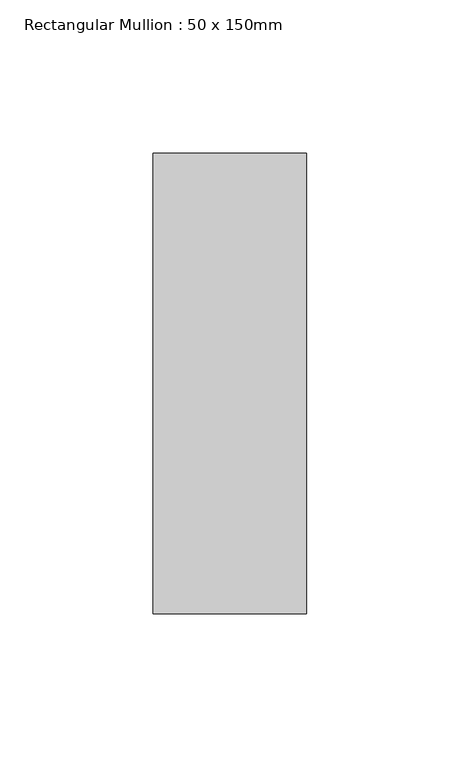
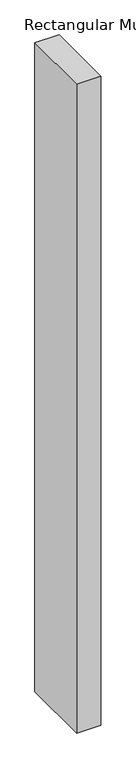
"""IFC4 building model written with IfcOpenShell, lengths in millimetres: member geometry, Rectangular Mullion : 50 x 150mm."""

from ifc_helpers import new_model, si_unit, frame, origin, place, context, project, spatial, polyline, outline, extrude, source, transform, mapped, element, save


def rectangular_mullion_50_x_150mm_6e5dd979(model_context):
    return source(origin(), model_context, "Body", "SweptSolid", [
        extrude(outline(polyline([(0.0, 75.0), (0.0, -75.0), (-50.0, -75.0), (-50.0, 75.0), (0.0, 75.0)])), frame((0.0, 0.0, -1419.4444444), z_axis=(0.0, 0.0, 1.0), x_axis=(1.0, 0.0, 0.0)), (0.0, 0.0, 1.0), 1419.4444444),
    ])


if __name__ == "__main__":
    model = new_model("IFC4")
    model_context = context("Model", 3, world=origin())
    ifc_project = project(units=[si_unit("LENGTHUNIT", "METRE", prefix="MILLI")], contexts=[model_context])
    site = spatial("IfcSite", under=ifc_project)
    building = spatial("IfcBuilding", under=site)
    placement = place(None, origin())
    rectangular_mullion_50_x_150mm_shape = rectangular_mullion_50_x_150mm_6e5dd979(model_context)
    element("IfcMember", 1, ObjectType="Rectangular Mullion : 50 x 150mm", at=placement, inside=building, context=model_context, shape_type="MappedRepresentation", body=[
        mapped(rectangular_mullion_50_x_150mm_shape, transform((0.0, 0.0, 0.0), x_axis=(1.0, 0.0, 0.0), y_axis=(0.0, 1.0, 0.0), z_axis=(0.0, 0.0, 1.0))),
    ])
    save(model, "model.ifc")
